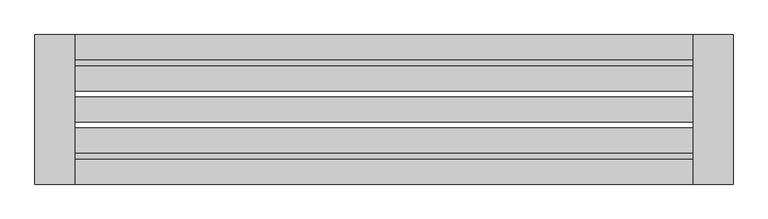
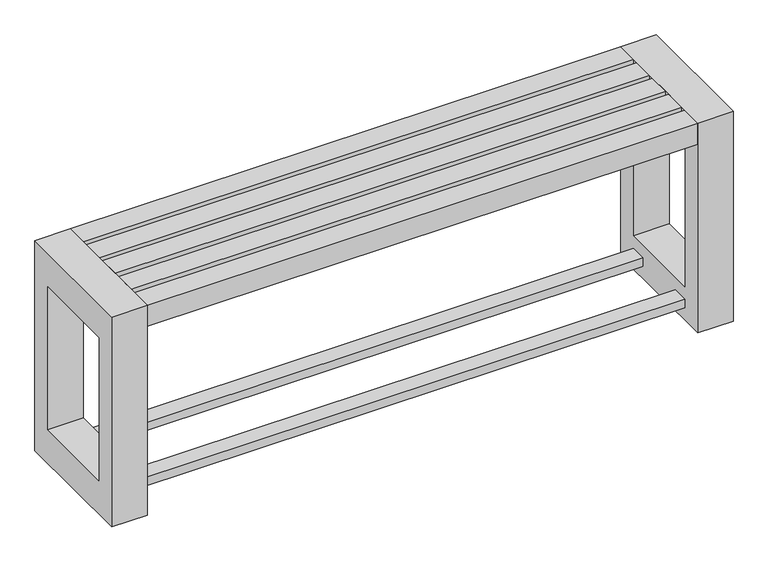
"""IFC4 building model written with IfcOpenShell, lengths in millimetres: furniture geometry."""

from ifc_helpers import new_model, si_unit, frame, origin, place, context, project, spatial, polyline, outline, extrude, source, transform, mapped, element, save


def furniture_dc96ee31(model_context):
    return source(origin(), model_context, "Body", "SweptSolid", [
        extrude(outline(polyline([(-219.95672, 1136.5928463), (-1459.95672, 1136.5928463), (-1459.95672, 1174.0928463), (-219.95672, 1174.0928463), (-219.95672, 1136.5928463)])), frame((0.0, 0.0, 30.0), z_axis=(0.0, 0.0, 1.0), x_axis=(1.0, 0.0, 0.0)), (0.0, 0.0, 1.0), 20.0),
        extrude(outline(polyline([(-219.95672, 974.0928463), (-1459.95672, 974.0928463), (-1459.95672, 1011.5928463), (-219.95672, 1011.5928463), (-219.95672, 974.0928463)])), frame((0.0, 0.0, 30.0), z_axis=(0.0, 0.0, 1.0), x_axis=(1.0, 0.0, 0.0)), (0.0, 0.0, 1.0), 20.0),
        extrude(outline(polyline([(924.0928463, 500.0), (1224.0928463, 500.0), (1224.0928463, 0.0), (924.0928463, 0.0), (924.0928463, 500.0)]), holes=[polyline([(974.0928463, 420.0), (974.0928463, 80.0), (1174.0928463, 80.0), (1174.0928463, 420.0), (974.0928463, 420.0)])]), frame((-1539.95672, 0.0, 0.0), z_axis=(1.0, 0.0, 0.0), x_axis=(0.0, 1.0, 0.0)), (0.0, 0.0, 1.0), 80.0),
        extrude(outline(polyline([(924.0928463, 500.0), (1224.0928463, 500.0), (1224.0928463, 0.0), (924.0928463, 0.0), (924.0928463, 500.0)]), holes=[polyline([(1174.0928463, 420.0), (974.0928463, 420.0), (974.0928463, 80.0), (1174.0928463, 80.0), (1174.0928463, 420.0)])]), frame((-219.95672, 0.0, 0.0), z_axis=(1.0, 0.0, 0.0), x_axis=(0.0, 1.0, 0.0)), (0.0, 0.0, 1.0), 80.0),
        extrude(outline(polyline([(-1459.95672, 924.0928463), (-1459.95672, 974.0928463), (-219.95672, 974.0928463), (-219.95672, 924.0928463), (-1459.95672, 924.0928463)])), frame((0.0, 0.0, 450.0), z_axis=(0.0, 0.0, 1.0), x_axis=(1.0, 0.0, 0.0)), (0.0, 0.0, 1.0), 50.0),
        extrude(outline(polyline([(-1459.95672, 986.5928463), (-1459.95672, 1036.5928463), (-219.95672, 1036.5928463), (-219.95672, 986.5928463), (-1459.95672, 986.5928463)])), frame((0.0, 0.0, 450.0), z_axis=(0.0, 0.0, 1.0), x_axis=(1.0, 0.0, 0.0)), (0.0, 0.0, 1.0), 50.0),
        extrude(outline(polyline([(-1459.95672, 1049.0928463), (-1459.95672, 1099.0928463), (-219.95672, 1099.0928463), (-219.95672, 1049.0928463), (-1459.95672, 1049.0928463)])), frame((0.0, 0.0, 450.0), z_axis=(0.0, 0.0, 1.0), x_axis=(1.0, 0.0, 0.0)), (0.0, 0.0, 1.0), 50.0),
        extrude(outline(polyline([(-219.95672, 1161.5928463), (-219.95672, 1111.5928463), (-1459.95672, 1111.5928463), (-1459.95672, 1161.5928463), (-219.95672, 1161.5928463)])), frame((0.0, 0.0, 450.0), z_axis=(0.0, 0.0, 1.0), x_axis=(1.0, 0.0, 0.0)), (0.0, 0.0, 1.0), 50.0),
        extrude(outline(polyline([(-1459.95672, 1174.0928463), (-1459.95672, 1224.0928463), (-219.95672, 1224.0928463), (-219.95672, 1174.0928463), (-1459.95672, 1174.0928463)])), frame((0.0, 0.0, 450.0), z_axis=(0.0, 0.0, 1.0), x_axis=(1.0, 0.0, 0.0)), (0.0, 0.0, 1.0), 50.0),
    ])


if __name__ == "__main__":
    model = new_model("IFC4")
    model_context = context("Model", 3, world=origin())
    ifc_project = project(units=[si_unit("LENGTHUNIT", "METRE", prefix="MILLI")], contexts=[model_context])
    site = spatial("IfcSite", under=ifc_project)
    building = spatial("IfcBuilding", under=site)
    placement = place(None, origin())
    furniture_shape = furniture_dc96ee31(model_context)
    element("IfcFurniture", 1, at=placement, inside=building, context=model_context, shape_type="MappedRepresentation", body=[
        mapped(furniture_shape, transform((0.0, 0.0, 0.0), x_axis=(1.0, 0.0, 0.0), y_axis=(0.0, 1.0, 0.0), z_axis=(0.0, 0.0, 1.0))),
    ])
    save(model, "model.ifc")
